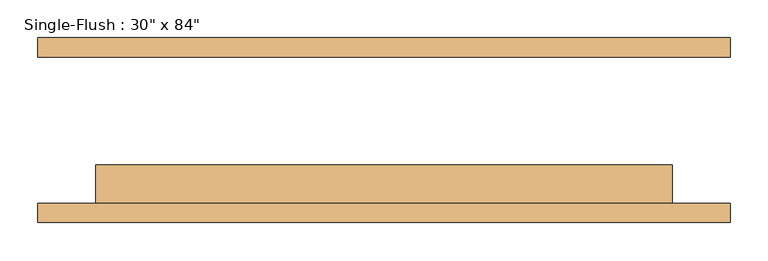
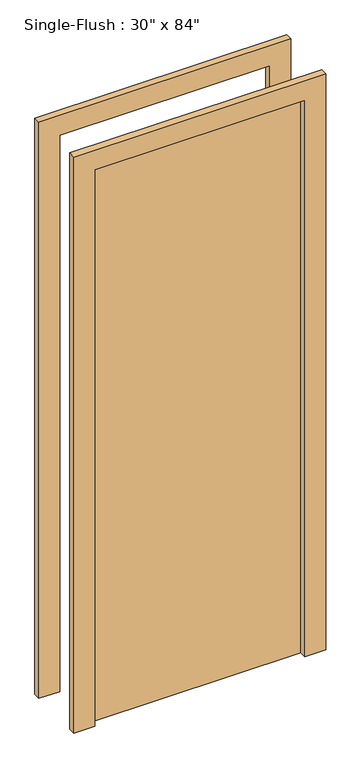
"""IFC4 building model written with IfcOpenShell, lengths in millimetres: door geometry."""

import ifcopenshell
import ifcopenshell.guid

model = None  # the IFC model being written
_history = None  # IfcOwnerHistory: only IFC2X3 demands one
_inside = {}  # id of a spatial element -> (the spatial element, [elements in it])
_under = {}  # id of a project, library or spatial element -> (it, [spatial elements below it])
_declared = {}  # id of a project -> (the project, [libraries it declares])
_typed = {}  # id of a type object -> (the type object, [elements of that type])
_made_of = {}  # id of a material, layer set ... -> (it, [elements and type objects made of it])


def new_model(schema):
    """Start an empty IFC model of exactly this schema.

    Asked for "IFC4X3", IfcOpenShell would pick the latest addendum, in which some entities
    have other attributes; the version numbers below select the first issue.
    IFC2X3 requires an IfcOwnerHistory on every rooted entity: one is made here for all.
    """
    global model, _history
    if schema == "IFC4X3":
        model = ifcopenshell.file(schema_version=(4, 3, 0, 0))
    else:
        model = ifcopenshell.file(schema=schema)
    _inside.clear()
    _under.clear()
    _declared.clear()
    _typed.clear()
    _made_of.clear()
    _history = None
    if model.schema == "IFC2X3":
        org = make("IfcOrganization", Name="unknown")
        user = make(
            "IfcPersonAndOrganization",
            ThePerson=make("IfcPerson", FamilyName="unknown"),
            TheOrganization=org,
        )
        app = make(
            "IfcApplication",
            ApplicationDeveloper=org,
            Version="unknown",
            ApplicationFullName="unknown",
            ApplicationIdentifier="unknown",
        )
        _history = make(
            "IfcOwnerHistory",
            OwningUser=user,
            OwningApplication=app,
            ChangeAction="ADDED",
            CreationDate=0,
        )
    return model


def make(cls, **values):
    """One entity of the class cls with the attributes given. An attribute that is None is left unset."""
    return model.create_entity(
        cls, **{name: value for name, value in values.items() if value is not None}
    )


def rooted(cls, **values):
    """An entity with a GlobalId (a new one), such as an element, a storey or a relation."""
    return make(cls, GlobalId=ifcopenshell.guid.new(), OwnerHistory=_history, **values)


def si_unit(unit_type, name, prefix=None):
    """IfcSIUnit, for example si_unit("LENGTHUNIT", "METRE", prefix="MILLI")."""
    return make("IfcSIUnit", UnitType=unit_type, Prefix=prefix, Name=name)


def assignment(units):
    """IfcUnitAssignment: the units of a project."""
    return None if units is None else make("IfcUnitAssignment", Units=units)


def point(xyz):
    """IfcCartesianPoint."""
    return None if xyz is None else make("IfcCartesianPoint", Coordinates=xyz)


def direction(xyz):
    """IfcDirection."""
    return None if xyz is None else make("IfcDirection", DirectionRatios=xyz)


def frame(location, z_axis=None, x_axis=None):
    """IfcAxis2Placement3D, a coordinate frame: its origin and axes. An axis left out is left unset."""
    return make(
        "IfcAxis2Placement3D",
        Location=point(location),
        Axis=direction(z_axis),
        RefDirection=direction(x_axis),
    )


def origin():
    """The frame at (0, 0, 0) with its axes left unset."""
    return frame((0.0, 0.0, 0.0))


def origin_with_axes():
    """The frame at (0, 0, 0) with the z axis (0, 0, 1) and the x axis (1, 0, 0) written out."""
    return frame((0.0, 0.0, 0.0), z_axis=(0.0, 0.0, 1.0), x_axis=(1.0, 0.0, 0.0))


def place(relative_to, where):
    """IfcLocalPlacement: puts the frame where relative to a parent placement (None: the world)."""
    return make(
        "IfcLocalPlacement", PlacementRelTo=relative_to, RelativePlacement=where
    )


def context(
    kind, dimensions, precision=None, world=None, true_north=None, identifier=None
):
    """IfcGeometricRepresentationContext, for example the 3D "Model" context."""
    return make(
        "IfcGeometricRepresentationContext",
        ContextIdentifier=identifier,
        ContextType=kind,
        CoordinateSpaceDimension=dimensions,
        Precision=precision,
        WorldCoordinateSystem=world,
        TrueNorth=true_north,
    )


def project(units=None, contexts=None):
    """IfcProject with its units and contexts."""
    return rooted(
        "IfcProject",
        Name="project",
        RepresentationContexts=contexts,
        UnitsInContext=assignment(units),
    )


def spatial(cls, under=None, at=None, **own):
    """A site, building, storey or space (cls), placed at a placement, below another one or the project."""
    s = rooted(cls, ObjectPlacement=at, **own)
    if under is not None:
        _under.setdefault(under.id(), (under, []))[1].append(s)
    return s


def polyline(points):
    """IfcPolyline through the points."""
    return make("IfcPolyline", Points=[point(p) for p in points])


def outline(outer, holes=None, kind="AREA"):
    """IfcArbitraryClosedProfileDef: a profile drawn as a closed curve; with holes, ...WithVoids."""
    if holes is None:
        return make("IfcArbitraryClosedProfileDef", ProfileType=kind, OuterCurve=outer)
    return make(
        "IfcArbitraryProfileDefWithVoids",
        ProfileType=kind,
        OuterCurve=outer,
        InnerCurves=holes,
    )


def extrude(swept, where, along, depth):
    """IfcExtrudedAreaSolid: the profile swept, set in the frame where, extruded along a direction by depth."""
    return make(
        "IfcExtrudedAreaSolid",
        SweptArea=swept,
        Position=where,
        ExtrudedDirection=direction(along),
        Depth=depth,
    )


def shape(context_of_items, identifier, shape_type, items):
    """IfcShapeRepresentation: the items that make up one representation, for example the "Body"."""
    return make(
        "IfcShapeRepresentation",
        ContextOfItems=context_of_items,
        RepresentationIdentifier=identifier,
        RepresentationType=shape_type,
        Items=items,
    )


def source(mapping_origin, context_of_items, identifier, shape_type, items):
    """IfcRepresentationMap: a shape defined once, which mapped items show again and again."""
    return make(
        "IfcRepresentationMap",
        MappingOrigin=mapping_origin,
        MappedRepresentation=shape(context_of_items, identifier, shape_type, items),
    )


def transform(
    local_origin,
    x_axis=None,
    y_axis=None,
    z_axis=None,
    scale=None,
    scale2=None,
    scale3=None,
    uniform=True,
):
    """IfcCartesianTransformationOperator3D, or its non-uniform kind. x_axis, y_axis, z_axis: its Axis1, 2, 3."""
    if uniform:
        return make(
            "IfcCartesianTransformationOperator3D",
            Axis1=direction(x_axis),
            Axis2=direction(y_axis),
            LocalOrigin=point(local_origin),
            Scale=scale,
            Axis3=direction(z_axis),
        )
    return make(
        "IfcCartesianTransformationOperator3DnonUniform",
        Axis1=direction(x_axis),
        Axis2=direction(y_axis),
        LocalOrigin=point(local_origin),
        Scale=scale,
        Axis3=direction(z_axis),
        Scale2=scale2,
        Scale3=scale3,
    )


def mapped(mapping_source, mapping_target):
    """IfcMappedItem: shows the shape of a source again, moved by a transform."""
    return make(
        "IfcMappedItem", MappingSource=mapping_source, MappingTarget=mapping_target
    )


def made_of(thing, what):
    """Note that an element or type object is made of a material, layer set ...; save() writes the relation."""
    if what is not None:
        _made_of.setdefault(what.id(), (what, []))[1].append(thing)
    return thing


def element(
    cls,
    number,
    at=None,
    inside=None,
    cuts=None,
    type_object=None,
    material=None,
    context=None,
    identifier="Body",
    shape_type=None,
    held_by="IfcProductDefinitionShape",
    body=None,
    shapes=None,
    **own,
):
    """One element of the class cls, such as IfcWall. Its Tag is "e" and its number.

    at: its placement. inside: the storey or other place that contains it. cuts: it is an
    opening in that element (IfcRelVoidsElement). A single representation is given by context,
    identifier, shape_type and body (its items); several are given by shapes. held_by: the class
    of the entity that holds the representations. save() writes the other relations.
    """
    e = rooted(cls, Tag="e%d" % number, ObjectPlacement=at, **own)
    if body is not None:
        shapes = [shape(context, identifier, shape_type, body)]
    if shapes is not None:
        e.Representation = make(held_by, Representations=shapes)
    if inside is not None:
        _inside.setdefault(inside.id(), (inside, []))[1].append(e)
    if cuts is not None:
        rooted(
            "IfcRelVoidsElement", RelatingBuildingElement=cuts, RelatedOpeningElement=e
        )
    if type_object is not None:
        _typed.setdefault(type_object.id(), (type_object, []))[1].append(e)
    return made_of(e, material)


def aggregate(whole, parts):
    """IfcRelAggregates: a whole, such as a stair, and the parts it consists of."""
    return rooted("IfcRelAggregates", RelatingObject=whole, RelatedObjects=parts)


def save(model, path):
    """Write the relations noted so far, then the file.

    IfcRelAggregates (storeys below a building ...), IfcRelContainedInSpatialStructure (elements
    in a storey), IfcRelDefinesByType, IfcRelAssociatesMaterial and IfcRelDeclares: one each for
    every whole, place, type object, material and project.
    """
    for whole, parts in _under.values():
        aggregate(whole, parts)
    for where, things in _inside.values():
        rooted(
            "IfcRelContainedInSpatialStructure",
            RelatedElements=things,
            RelatingStructure=where,
        )
    for kind, things in _typed.values():
        rooted("IfcRelDefinesByType", RelatedObjects=things, RelatingType=kind)
    for what, things in _made_of.values():
        rooted("IfcRelAssociatesMaterial", RelatedObjects=things, RelatingMaterial=what)
    for by, libraries in _declared.values():
        rooted("IfcRelDeclares", RelatingContext=by, RelatedDefinitions=libraries)
    model.write(path)


def door_e38c93b8(model_context):
    return source(origin(), model_context, "Body", "SweptSolid", [
        extrude(outline(polyline([(2209.8, -457.2), (0.0, -457.2), (0.0, -381.0), (2133.6, -381.0), (2133.6, 381.0), (0.0, 381.0), (0.0, 457.2), (2209.8, 457.2), (2209.8, -457.2)])), frame((0.0, -122.2375, 0.0), z_axis=(0.0, 1.0, 0.0), x_axis=(0.0, 0.0, 1.0)), (0.0, 0.0, 1.0), 25.4),
        extrude(outline(polyline([(2209.8, 457.2), (2209.8, -457.2), (0.0, -457.2), (0.0, -381.0), (2133.6, -381.0), (2133.6, 381.0), (0.0, 381.0), (0.0, 457.2), (2209.8, 457.2)])), frame((0.0, 96.8375, 0.0), z_axis=(0.0, 1.0, 0.0), x_axis=(0.0, 0.0, 1.0)), (0.0, 0.0, 1.0), 25.4),
        extrude(outline(polyline([(381.0, -46.0375), (381.0, -96.8375), (-381.0, -96.8375), (-381.0, -46.0375), (381.0, -46.0375)])), origin_with_axes(), (0.0, 0.0, 1.0), 2133.6),
    ])


if __name__ == "__main__":
    model = new_model("IFC4")
    model_context = context("Model", 3, world=origin())
    ifc_project = project(units=[si_unit("LENGTHUNIT", "METRE", prefix="MILLI")], contexts=[model_context])
    site = spatial("IfcSite", under=ifc_project)
    building = spatial("IfcBuilding", under=site)
    placement = place(None, origin())
    door_shape = door_e38c93b8(model_context)
    element("IfcDoor", 1, ObjectType="Single-Flush : 30\" x 84\"", at=placement, inside=building, context=model_context, shape_type="MappedRepresentation", body=[
        mapped(door_shape, transform((0.0, 0.0, 0.0), x_axis=(1.0, 0.0, 0.0), y_axis=(0.0, 1.0, 0.0), z_axis=(0.0, 0.0, 1.0))),
    ])
    save(model, "model.ifc")
